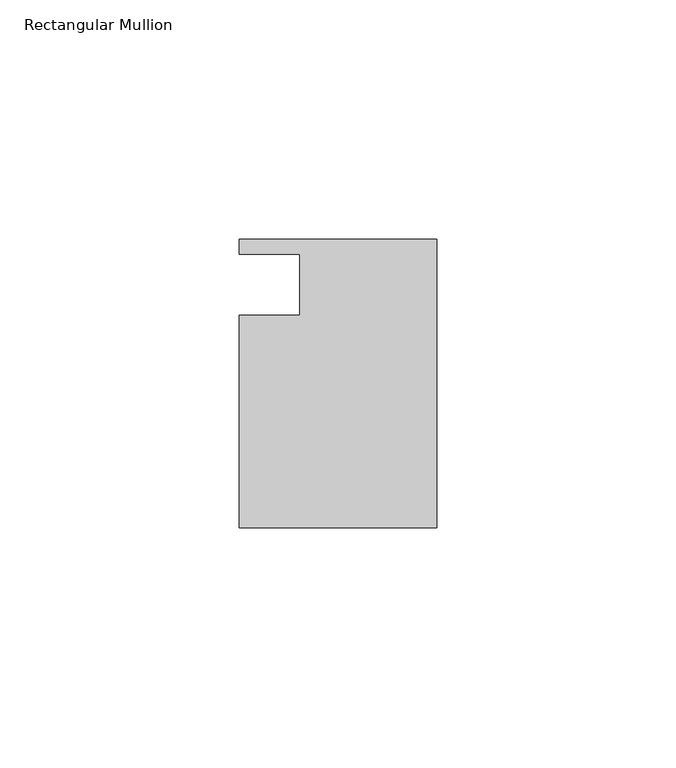
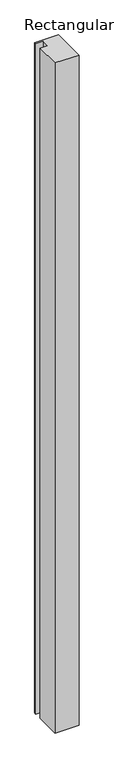
"""IFC4 building model written with IfcOpenShell, lengths in millimetres: member geometry, Rectangular Mullion."""

from ifc_helpers import new_model, si_unit, frame, origin, place, context, project, spatial, polyline, outline, extrude, source, transform, mapped, element, save


def rectangular_mullion_9a4a04e9(model_context):
    return source(origin(), model_context, "Body", "SweptSolid", [
        extrude(outline(polyline([(0.0, -30.1625), (-41.275, -30.1625), (-41.275, 14.2875), (-28.575, 14.2875), (-28.575, 26.9875), (-41.275, 26.9875), (-41.275, 30.1625), (0.0, 30.1625), (0.0, -30.1625)])), frame((0.0, 0.0, -1219.2), z_axis=(0.0, 0.0, 1.0), x_axis=(1.0, 0.0, 0.0)), (0.0, 0.0, 1.0), 1219.2),
    ])


if __name__ == "__main__":
    model = new_model("IFC4")
    model_context = context("Model", 3, world=origin())
    ifc_project = project(units=[si_unit("LENGTHUNIT", "METRE", prefix="MILLI")], contexts=[model_context])
    site = spatial("IfcSite", under=ifc_project)
    building = spatial("IfcBuilding", under=site)
    placement = place(None, origin())
    rectangular_mullion_shape = rectangular_mullion_9a4a04e9(model_context)
    element("IfcMember", 1, ObjectType="Rectangular Mullion", at=placement, inside=building, context=model_context, shape_type="MappedRepresentation", body=[
        mapped(rectangular_mullion_shape, transform((0.0, 0.0, 0.0), x_axis=(1.0, 0.0, 0.0), y_axis=(0.0, 1.0, 0.0), z_axis=(0.0, 0.0, 1.0))),
    ])
    save(model, "model.ifc")
